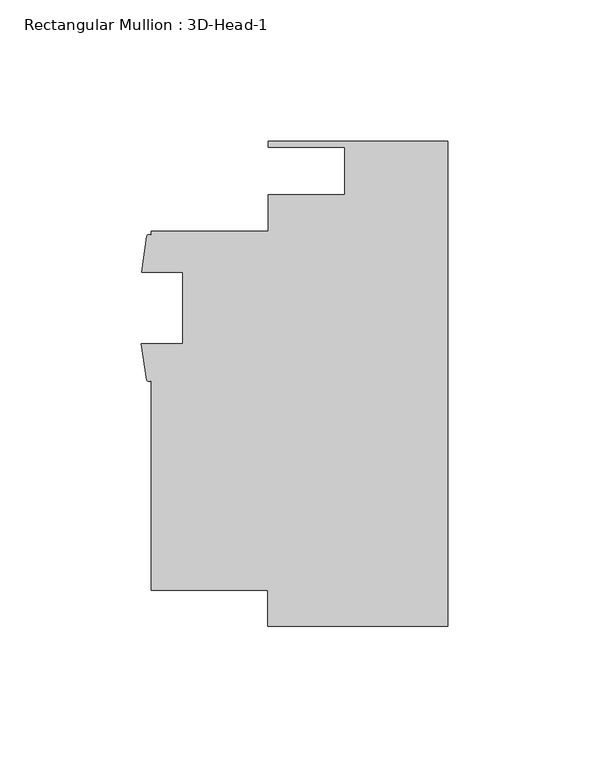
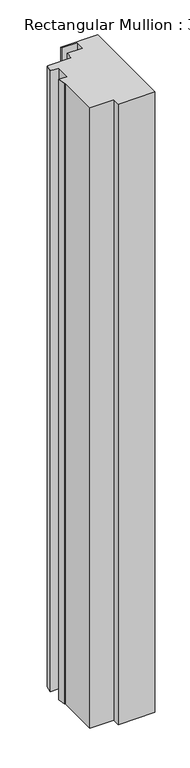
"""IFC4 building model written with IfcOpenShell, lengths in millimetres: member geometry, Rectangular Mullion : 3D-Head-1."""

from ifc_helpers import new_model, si_unit, point, frame, frame_2d, origin, place, context, project, spatial, polyline, circle_curve, trimmed, segment, composite_curve, outline, extrude, source, transform, mapped, element, save


def rectangular_mullion_3d_head_1_87453ab9(model_context):
    return source(origin(), model_context, "Body", "SweptSolid", [
        extrude(outline(composite_curve([segment(polyline([(0.0, -85.7249999), (-63.5322656, -85.7249999), (-63.5322656, -73.023969), (-104.7749997, -73.023969), (-104.7749997, 1.2994531)]), True, "CONTINUOUS"), segment(trimmed(circle_curve(frame_2d((-105.6067019, 1.8328959)), 0.9880737), [point((-104.7749997, 1.2994531))], [point((-106.4384041, 1.2994531))], False, "CARTESIAN"), True, "CONTINUOUS"), segment(polyline([(-106.4384041, 1.2994531), (-108.2945214, 14.0725059), (-93.6624997, 14.0725059), (-93.6624997, 39.4725059), (-108.1709997, 39.4725059), (-106.3608959, 52.2437935)]), True, "CONTINUOUS"), segment(trimmed(circle_curve(frame_2d((-105.5679478, 51.826203)), 0.8961856), [point((-106.3608959, 52.2437935))], [point((-104.7749997, 52.2437935))], False, "CARTESIAN"), True, "CONTINUOUS"), segment(polyline([(-104.7749997, 52.2437935), (-104.7749997, 53.976031), (-63.4999996, 53.976031), (-63.4999996, 66.7923427), (-36.3401991, 66.7923427), (-36.3401991, 83.6929999), (-63.4999996, 83.6929999), (-63.4999996, 85.7249999), (0.0, 85.7249999), (0.0, -85.7249999)]), True, "CONTINUOUS")], self_intersect=False)), frame((0.0, 0.0, -1133.475), z_axis=(0.0, 0.0, 1.0), x_axis=(1.0, 0.0, 0.0)), (0.0, 0.0, 1.0), 1133.475),
    ])


if __name__ == "__main__":
    model = new_model("IFC4")
    model_context = context("Model", 3, world=origin())
    ifc_project = project(units=[si_unit("LENGTHUNIT", "METRE", prefix="MILLI")], contexts=[model_context])
    site = spatial("IfcSite", under=ifc_project)
    building = spatial("IfcBuilding", under=site)
    placement = place(None, origin())
    rectangular_mullion_3d_head_1_shape = rectangular_mullion_3d_head_1_87453ab9(model_context)
    element("IfcMember", 1, ObjectType="Rectangular Mullion : 3D-Head-1", at=placement, inside=building, context=model_context, shape_type="MappedRepresentation", body=[
        mapped(rectangular_mullion_3d_head_1_shape, transform((0.0, 0.0, 0.0), x_axis=(1.0, 0.0, 0.0), y_axis=(0.0, 1.0, 0.0), z_axis=(0.0, 0.0, 1.0))),
    ])
    save(model, "model.ifc")
